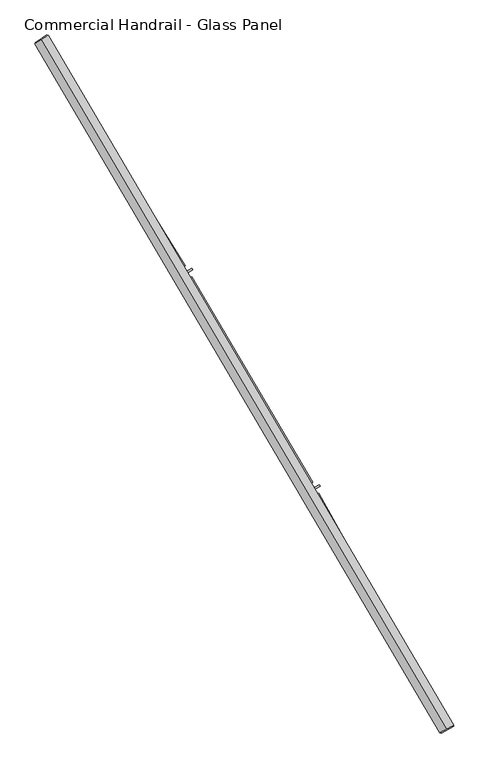
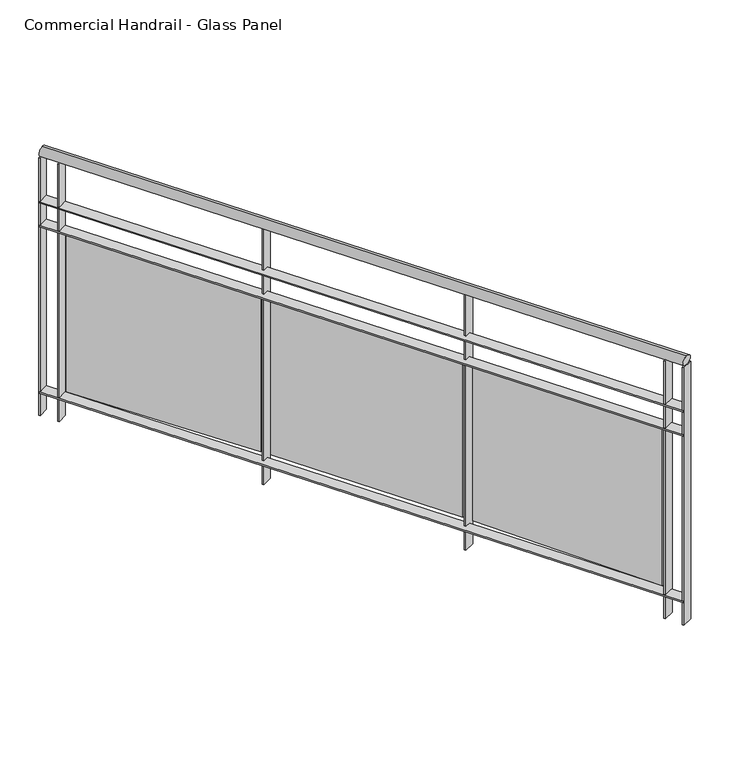
"""IFC4 building model written with IfcOpenShell, lengths in millimetres: railing geometry, Commercial Handrail - Glass Panel."""

from ifc_helpers import new_model, si_unit, point, frame, origin, place, context, project, spatial, polyline, circle_curve, ellipse_curve, trimmed, outline, extrude, source, transform, mapped, element, save
from ifc_brep_helpers import plane_surface, cylinder_surface, revolved_surface, advanced_brep


def commercial_handrail_glass_panel_ae0d53cc(model_context):
    return source(origin(), model_context, "Body", "SolidModel", [
        advanced_brep(
        [(177076.0575657, -31977.9006077, 6082.5), (175783.9289157, -29780.3413827, 6082.5), (175783.9289157, -29780.3413827, 6117.5), (177076.0575657, -31977.9006077, 6117.5)],
        [
            (0, 1, circle_curve(frame((146629.3968491, -48401.3811221, 6082.5), z_axis=(0.0, 0.0, 1.0), x_axis=(0.8427679503753938, 0.5382770493157384, 0.0)), 34593.7835601)),
            (1, 2, ellipse_curve(frame((175783.9289157, -29780.3413827, 6100.0), z_axis=(0.5382770493157318, -0.842767950375398, 0.0), x_axis=(-0.842767950375398, -0.5382770493157318, 0.0)), 25.0, 17.5)),
            (2, 3, circle_curve(frame((146629.3968491, -48401.3811221, 6117.5), z_axis=(0.0, 0.0, -1.0), x_axis=(0.8427679503753938, 0.5382770493157384, 0.0)), 34593.7835601)),
            (3, 0, ellipse_curve(frame((177076.0575657, -31977.9006077, 6100.0), z_axis=(-0.47475236369846063, 0.8801194198304709, 0.0), x_axis=(-0.8801194198304709, -0.47475236369846063, 0.0)), 25.0, 17.5)),
            (2, 1, ellipse_curve(frame((175783.9289157, -29780.3413827, 6100.0), z_axis=(0.5382770493157318, -0.842767950375398, 0.0), x_axis=(-0.842767950375398, -0.5382770493157318, 0.0)), 25.0, 17.5)),
            (0, 3, ellipse_curve(frame((177076.0575657, -31977.9006077, 6100.0), z_axis=(-0.47475236369846063, 0.8801194198304709, 0.0), x_axis=(-0.8801194198304709, -0.47475236369846063, 0.0)), 25.0, 17.5)),
        ],
        [
            revolved_surface(trimmed(ellipse_curve(frame((175783.9289157, -29780.3413827, 6100.0), z_axis=(-0.5382770493157384, 0.8427679503753938, 0.0), x_axis=(0.0, 0.0, -1.0)), 17.5, 25.0), [point((175783.9289157, -29780.3413827, 6117.5))], [point((175783.9289157, -29780.3413827, 6082.5))], True, "CARTESIAN"), (146629.3968491, -48401.3811221, 6100.0), (0.0, 0.0, -1.0)),
            revolved_surface(trimmed(ellipse_curve(frame((175783.9289157, -29780.3413827, 6100.0), z_axis=(-0.5382770493157384, 0.8427679503753938, 0.0), x_axis=(0.0, 0.0, -1.0)), 17.5, 25.0), [point((175783.9289157, -29780.3413827, 6082.5))], [point((175783.9289157, -29780.3413827, 6117.5))], True, "CARTESIAN"), (146629.3968491, -48401.3811221, 6100.0), (0.0, 0.0, -1.0)),
            plane_surface(frame((175783.9289157, -29780.3413827, 6100.0), z_axis=(-0.5382770493157384, 0.8427679503753938, 0.0), x_axis=(0.8427679503753938, 0.5382770493157384, 0.0))),
            plane_surface(frame((177076.0575657, -31977.9006077, 6100.0), z_axis=(0.4747523636984607, -0.8801194198304708, 0.0), x_axis=(0.8801194198304708, 0.4747523636984607, 0.0))),
        ],
        [
            (0, [[1, 2, 3, 4]]),
            (1, [[-3, 5, -1, 6]]),
            (2, [[-2, -5]]),
            (3, [[-6, -4]]),
        ],
    ),
        advanced_brep(
        [(177095.8602527, -31967.2186795, 5900.0), (175802.8911946, -29768.2301491, 5900.0), (175764.9666369, -29792.4526163, 5900.0), (177056.2548788, -31988.5825359, 5900.0), (177095.8602527, -31967.2186795, 5894.0), (175802.8911946, -29768.2301491, 5894.0), (177056.2548788, -31988.5825359, 5894.0), (175764.9666369, -29792.4526163, 5894.0)],
        [
            (0, 1, circle_curve(frame((146629.3968491, -48401.3811221, 5900.0), z_axis=(0.0, 0.0, 1.0), x_axis=(0.8427679503753938, 0.5382770493157384, 0.0)), 34616.2835601)),
            (1, 2),
            (2, 3, circle_curve(frame((146629.3968491, -48401.3811221, 5900.0), z_axis=(0.0, 0.0, -1.0), x_axis=(0.8427679503753938, 0.5382770493157384, 0.0)), 34571.2835601)),
            (3, 0),
            (4, 5, circle_curve(frame((146629.3968491, -48401.3811221, 5894.0), z_axis=(0.0, 0.0, 1.0), x_axis=(0.8427679503753938, 0.5382770493157384, 0.0)), 34616.2835601)),
            (5, 1),
            (0, 4),
            (6, 7, circle_curve(frame((146629.3968491, -48401.3811221, 5894.0), z_axis=(0.0, 0.0, 1.0), x_axis=(0.8427679503753938, 0.5382770493157384, 0.0)), 34571.2835601)),
            (7, 5),
            (4, 6),
            (2, 7),
            (6, 3),
        ],
        [
            plane_surface(frame((146629.3968491, -48401.3811221, 5900.0), z_axis=(0.0, 0.0, 1.0), x_axis=(0.8427679503753938, 0.5382770493157384, 0.0))),
            cylinder_surface(frame((146629.3968491, -48401.3811221, 5900.0), z_axis=(0.0, 0.0, -1.0), x_axis=(0.8427679503753938, 0.5382770493157384, 0.0)), 34616.2835601),
            plane_surface(frame((146629.3968491, -48401.3811221, 5894.0), z_axis=(0.0, 0.0, -1.0), x_axis=(0.8427679503753938, 0.5382770493157384, 0.0))),
            revolved_surface(polyline([(175764.96663689203, -29792.45261631168, 5894.0), (175764.96663689203, -29792.45261631168, 5900.0)]), (146629.3968491, -48401.3811221, 5900.0), (0.0, 0.0, -1.0)),
            plane_surface(frame((175783.9289157, -29780.3413827, 5900.0), z_axis=(-0.5382770493157384, 0.8427679503753938, 0.0), x_axis=(0.8427679503753938, 0.5382770493157384, 0.0))),
            plane_surface(frame((177076.0575657, -31977.9006077, 5900.0), z_axis=(0.4747523636984607, -0.8801194198304708, 0.0), x_axis=(0.8801194198304708, 0.4747523636984607, 0.0))),
        ],
        [
            (0, [[1, 2, 3, 4]]),
            (1, [[5, 6, -1, 7]]),
            (2, [[8, 9, -5, 10]]),
            (3, [[-3, 11, -8, 12]]),
            (4, [[-2, -6, -9, -11]]),
            (5, [[-12, -10, -7, -4]]),
        ],
    ),
        advanced_brep(
        [(177095.8602527, -31967.2186795, 5800.0), (175802.8911946, -29768.2301491, 5800.0), (175764.9666369, -29792.4526163, 5800.0), (177056.2548788, -31988.5825359, 5800.0), (177095.8602527, -31967.2186795, 5794.0), (175802.8911946, -29768.2301491, 5794.0), (177056.2548788, -31988.5825359, 5794.0), (175764.9666369, -29792.4526163, 5794.0)],
        [
            (0, 1, circle_curve(frame((146629.3968491, -48401.3811221, 5800.0), z_axis=(0.0, 0.0, 1.0), x_axis=(0.8427679503753938, 0.5382770493157384, 0.0)), 34616.2835601)),
            (1, 2),
            (2, 3, circle_curve(frame((146629.3968491, -48401.3811221, 5800.0), z_axis=(0.0, 0.0, -1.0), x_axis=(0.8427679503753938, 0.5382770493157384, 0.0)), 34571.2835601)),
            (3, 0),
            (4, 5, circle_curve(frame((146629.3968491, -48401.3811221, 5794.0), z_axis=(0.0, 0.0, 1.0), x_axis=(0.8427679503753938, 0.5382770493157384, 0.0)), 34616.2835601)),
            (5, 1),
            (0, 4),
            (6, 7, circle_curve(frame((146629.3968491, -48401.3811221, 5794.0), z_axis=(0.0, 0.0, 1.0), x_axis=(0.8427679503753938, 0.5382770493157384, 0.0)), 34571.2835601)),
            (7, 5),
            (4, 6),
            (2, 7),
            (6, 3),
        ],
        [
            plane_surface(frame((146629.3968491, -48401.3811221, 5800.0), z_axis=(0.0, 0.0, 1.0), x_axis=(0.8427679503753938, 0.5382770493157384, 0.0))),
            cylinder_surface(frame((146629.3968491, -48401.3811221, 5800.0), z_axis=(0.0, 0.0, -1.0), x_axis=(0.8427679503753938, 0.5382770493157384, 0.0)), 34616.2835601),
            plane_surface(frame((146629.3968491, -48401.3811221, 5794.0), z_axis=(0.0, 0.0, -1.0), x_axis=(0.8427679503753938, 0.5382770493157384, 0.0))),
            revolved_surface(polyline([(175764.96663689203, -29792.45261631168, 5794.0), (175764.96663689203, -29792.45261631168, 5800.0)]), (146629.3968491, -48401.3811221, 5800.0), (0.0, 0.0, -1.0)),
            plane_surface(frame((175783.9289157, -29780.3413827, 5800.0), z_axis=(-0.5382770493157384, 0.8427679503753938, 0.0), x_axis=(0.8427679503753938, 0.5382770493157384, 0.0))),
            plane_surface(frame((177076.0575657, -31977.9006077, 5800.0), z_axis=(0.4747523636984607, -0.8801194198304708, 0.0), x_axis=(0.8801194198304708, 0.4747523636984607, 0.0))),
        ],
        [
            (0, [[1, 2, 3, 4]]),
            (1, [[5, 6, -1, 7]]),
            (2, [[8, 9, -5, 10]]),
            (3, [[-3, 11, -8, 12]]),
            (4, [[-2, -6, -9, -11]]),
            (5, [[-12, -10, -7, -4]]),
        ],
    ),
        advanced_brep(
        [(177095.8602527, -31967.2186795, 5100.0), (175802.8911946, -29768.2301491, 5100.0), (175764.9666369, -29792.4526163, 5100.0), (177056.2548788, -31988.5825359, 5100.0), (177095.8602527, -31967.2186795, 5094.0), (175802.8911946, -29768.2301491, 5094.0), (177056.2548788, -31988.5825359, 5094.0), (175764.9666369, -29792.4526163, 5094.0)],
        [
            (0, 1, circle_curve(frame((146629.3968491, -48401.3811221, 5100.0), z_axis=(0.0, 0.0, 1.0), x_axis=(0.8427679503753938, 0.5382770493157384, 0.0)), 34616.2835601)),
            (1, 2),
            (2, 3, circle_curve(frame((146629.3968491, -48401.3811221, 5100.0), z_axis=(0.0, 0.0, -1.0), x_axis=(0.8427679503753938, 0.5382770493157384, 0.0)), 34571.2835601)),
            (3, 0),
            (4, 5, circle_curve(frame((146629.3968491, -48401.3811221, 5094.0), z_axis=(0.0, 0.0, 1.0), x_axis=(0.8427679503753938, 0.5382770493157384, 0.0)), 34616.2835601)),
            (5, 1),
            (0, 4),
            (6, 7, circle_curve(frame((146629.3968491, -48401.3811221, 5094.0), z_axis=(0.0, 0.0, 1.0), x_axis=(0.8427679503753938, 0.5382770493157384, 0.0)), 34571.2835601)),
            (7, 5),
            (4, 6),
            (2, 7),
            (6, 3),
        ],
        [
            plane_surface(frame((146629.3968491, -48401.3811221, 5100.0), z_axis=(0.0, 0.0, 1.0), x_axis=(0.8427679503753938, 0.5382770493157384, 0.0))),
            cylinder_surface(frame((146629.3968491, -48401.3811221, 5100.0), z_axis=(0.0, 0.0, -1.0), x_axis=(0.8427679503753938, 0.5382770493157384, 0.0)), 34616.2835601),
            plane_surface(frame((146629.3968491, -48401.3811221, 5094.0), z_axis=(0.0, 0.0, -1.0), x_axis=(0.8427679503753938, 0.5382770493157384, 0.0))),
            revolved_surface(polyline([(175764.96663689203, -29792.45261631168, 5094.0), (175764.96663689203, -29792.45261631168, 5100.0)]), (146629.3968491, -48401.3811221, 5100.0), (0.0, 0.0, -1.0)),
            plane_surface(frame((175783.9289157, -29780.3413827, 5100.0), z_axis=(-0.5382770493157384, 0.8427679503753938, 0.0), x_axis=(0.8427679503753938, 0.5382770493157384, 0.0))),
            plane_surface(frame((177076.0575657, -31977.9006077, 5100.0), z_axis=(0.4747523636984607, -0.8801194198304708, 0.0), x_axis=(0.8801194198304708, 0.4747523636984607, 0.0))),
        ],
        [
            (0, [[1, 2, 3, 4]]),
            (1, [[5, 6, -1, 7]]),
            (2, [[8, 9, -5, 10]]),
            (3, [[-3, 11, -8, 12]]),
            (4, [[-2, -6, -9, -11]]),
            (5, [[-12, -10, -7, -4]]),
        ],
    ),
        extrude(outline(polyline([(177019.2025619, -31920.0776321), (177058.7615677, -31898.6280386), (177061.6215135, -31903.9025727), (177022.0625077, -31925.3521662), (177019.2025619, -31920.0776321)])), frame((0.0, 0.0, 5000.0), z_axis=(0.0, 0.0, 1.0), x_axis=(1.0, 0.0, 0.0)), (0.0, 0.0, 1.0), 1082.1192282),
        extrude(outline(polyline([(176667.9811331, -31226.6066951), (177037.9417222, -31890.4810526), (177027.4594955, -31896.3225355), (176657.4989064, -31232.4481781), (176667.9811331, -31226.6066951)])), frame((0.0, 0.0, 5120.0), z_axis=(0.0, 0.0, 1.0), x_axis=(1.0, 0.0, 0.0)), (0.0, 0.0, 1.0), 660.0),
        extrude(outline(polyline([(176629.9717234, -31221.766365), (176669.0241625, -31199.4077648), (176672.0053092, -31204.6147567), (176632.9528701, -31226.9733569), (176629.9717234, -31221.766365)])), frame((0.0, 0.0, 5000.0), z_axis=(0.0, 0.0, 1.0), x_axis=(1.0, 0.0, 0.0)), (0.0, 0.0, 1.0), 1082.1192282),
        extrude(outline(polyline([(176262.8087433, -30536.6023126), (176648.0214972, -31191.7443844), (176637.6771487, -31197.8266911), (176252.4643948, -30542.6846193), (176262.8087433, -30536.6023126)])), frame((0.0, 0.0, 5120.0), z_axis=(0.0, 0.0, 1.0), x_axis=(1.0, 0.0, 0.0)), (0.0, 0.0, 1.0), 660.0),
        extrude(outline(polyline([(176224.6975714, -30532.6421866), (176263.2225599, -30509.3865364), (176266.3233132, -30514.5232015), (176227.7983248, -30537.7788517), (176224.6975714, -30532.6421866)])), frame((0.0, 0.0, 5000.0), z_axis=(0.0, 0.0, 1.0), x_axis=(1.0, 0.0, 0.0)), (0.0, 0.0, 1.0), 1082.1192282),
        extrude(outline(polyline([(175841.7893867, -29856.1514219), (176242.0483063, -30502.2108598), (176231.8473678, -30508.5307375), (175831.5884482, -29862.4712996), (175841.7893867, -29856.1514219)])), frame((0.0, 0.0, 5120.0), z_axis=(0.0, 0.0, 1.0), x_axis=(1.0, 0.0, 0.0)), (0.0, 0.0, 1.0), 660.0),
        extrude(outline(polyline([(175803.5968332, -29853.0736178), (175841.5737692, -29828.9333539), (175844.792471, -29833.9969454), (175806.8155351, -29858.1372092), (175803.5968332, -29853.0736178)])), frame((0.0, 0.0, 5000.0), z_axis=(0.0, 0.0, 1.0), x_axis=(1.0, 0.0, 0.0)), (0.0, 0.0, 1.0), 1082.1192282),
        extrude(outline(polyline([(177054.8306217, -31985.9421776), (177094.4359956, -31964.5783212), (177097.2845098, -31969.8590378), (177057.6791359, -31991.2228941), (177054.8306217, -31985.9421776)])), frame((0.0, 0.0, 5000.0), z_axis=(0.0, 0.0, 1.0), x_axis=(1.0, 0.0, 0.0)), (0.0, 0.0, 1.0), 1082.1192282),
        extrude(outline(polyline([(175763.3518057, -29789.9243125), (175801.2763635, -29765.7018453), (175804.5060258, -29770.758453), (175766.581468, -29794.9809202), (175763.3518057, -29789.9243125)])), frame((0.0, 0.0, 5000.0), z_axis=(0.0, 0.0, 1.0), x_axis=(1.0, 0.0, 0.0)), (0.0, 0.0, 1.0), 1082.1192282),
    ])


if __name__ == "__main__":
    model = new_model("IFC4")
    model_context = context("Model", 3, world=origin())
    ifc_project = project(units=[si_unit("LENGTHUNIT", "METRE", prefix="MILLI")], contexts=[model_context])
    site = spatial("IfcSite", under=ifc_project)
    building = spatial("IfcBuilding", under=site)
    placement = place(None, origin())
    commercial_handrail_glass_panel_shape = commercial_handrail_glass_panel_ae0d53cc(model_context)
    element("IfcRailing", 1, ObjectType="Commercial Handrail - Glass Panel", at=placement, inside=building, context=model_context, shape_type="MappedRepresentation", body=[
        mapped(commercial_handrail_glass_panel_shape, transform((0.0, 0.0, 0.0), x_axis=(1.0, 0.0, 0.0), y_axis=(0.0, 1.0, 0.0), z_axis=(0.0, 0.0, 1.0))),
    ])
    save(model, "model.ifc")
